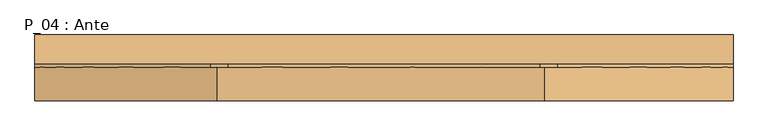
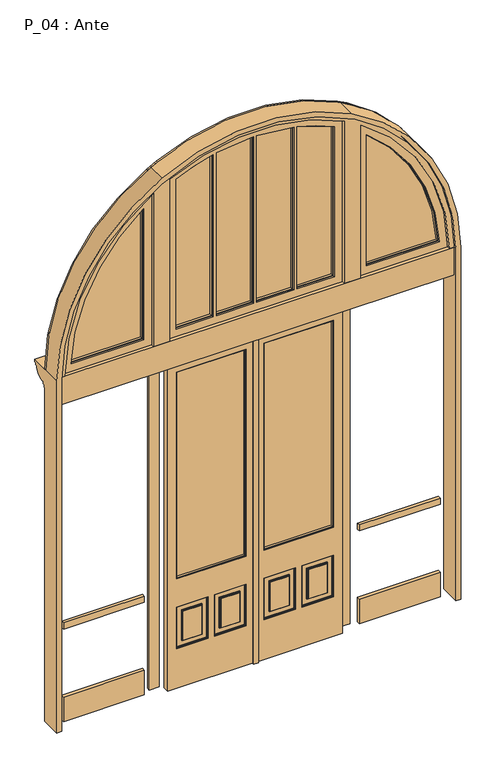
"""IFC4 building model written with IfcOpenShell, lengths in millimetres: door geometry, P_04 : Ante."""

from ifc_helpers import new_model, si_unit, point, frame, frame_2d, origin, origin_with_axes, place, context, project, spatial, polyline, circle_curve, trimmed, segment, composite_curve, outline, extrude, faceted_brep, source, transform, mapped, element, save
from ifc_brep_helpers import plane_surface, cylinder_surface, revolved_surface, advanced_brep


def p_04_ante_c65a6241(model_context):
    return source(origin(), model_context, "Body", "SolidModel", [
        faceted_brep([(15.0, -110.0, 2120.0), (-15.0, -110.0, 2120.0), (-15.0, -110.0, 0.0), (15.0, -110.0, 0.0), (-15.0, -100.0, 2120.0), (1.0, -100.0, 2120.0), (1.0, -100.0, 0.0), (-15.0, -100.0, 0.0), (15.0, -100.0, 2120.0), (540.0, -100.0, 2120.0), (540.0, -60.0, 2120.0), (1.0, -60.0, 2120.0), (1.0, -60.0, 0.0), (30.0, -60.0, 0.0), (30.0, -40.0, 0.0), (510.0, -40.0, 0.0), (510.0, -60.0, 0.0), (540.0, -60.0, 0.0), (540.0, -100.0, 0.0), (15.0, -100.0, 0.0), (56.0, -100.0, 2065.0), (485.0, -100.0, 2065.0), (485.0, -100.0, 715.0), (56.0, -100.0, 715.0), (290.0, -100.0, 530.0), (485.0, -100.0, 530.0), (485.0, -100.0, 260.0), (290.0, -100.0, 260.0), (251.0, -100.0, 260.0), (56.0, -100.0, 260.0), (56.0, -100.0, 530.0), (251.0, -100.0, 530.0), (330.0, -100.0, 490.0), (330.0, -100.0, 300.0), (445.0, -100.0, 300.0), (445.0, -100.0, 490.0), (96.0, -100.0, 490.0), (96.0, -100.0, 300.0), (211.0, -100.0, 300.0), (211.0, -100.0, 490.0), (56.0, -95.0, 715.0), (56.0, -95.0, 2065.0), (485.0, -95.0, 715.0), (485.0, -95.0, 2065.0), (290.0, -95.0, 260.0), (290.0, -95.0, 530.0), (485.0, -95.0, 260.0), (485.0, -95.0, 530.0), (251.0, -95.0, 530.0), (251.0, -95.0, 260.0), (56.0, -95.0, 530.0), (56.0, -95.0, 260.0), (445.0, -95.0, 490.0), (330.0, -95.0, 490.0), (445.0, -95.0, 300.0), (330.0, -95.0, 300.0), (211.0, -95.0, 490.0), (96.0, -95.0, 490.0), (211.0, -95.0, 300.0), (96.0, -95.0, 300.0), (295.0, -70.0, 525.0), (480.0, -70.0, 525.0), (480.0, -70.0, 265.0), (295.0, -70.0, 265.0), (325.0, -70.0, 495.0), (325.0, -70.0, 295.0), (450.0, -70.0, 295.0), (450.0, -70.0, 495.0), (61.0, -70.0, 525.0), (246.0, -70.0, 525.0), (246.0, -70.0, 265.0), (61.0, -70.0, 265.0), (91.0, -70.0, 495.0), (91.0, -70.0, 295.0), (216.0, -70.0, 295.0), (216.0, -70.0, 495.0), (295.0, -90.0, 265.0), (480.0, -90.0, 265.0), (480.0, -90.0, 525.0), (295.0, -90.0, 525.0), (450.0, -90.0, 495.0), (450.0, -90.0, 295.0), (325.0, -90.0, 295.0), (325.0, -90.0, 495.0), (61.0, -90.0, 265.0), (246.0, -90.0, 265.0), (246.0, -90.0, 525.0), (61.0, -90.0, 525.0), (216.0, -90.0, 495.0), (216.0, -90.0, 295.0), (91.0, -90.0, 295.0), (91.0, -90.0, 495.0), (61.0, -95.0, 720.0), (61.0, -65.0, 720.0), (61.0, -65.0, 2060.0), (61.0, -95.0, 2060.0), (480.0, -95.0, 720.0), (480.0, -65.0, 720.0), (480.0, -95.0, 2060.0), (480.0, -65.0, 2060.0), (510.0, -60.0, 160.0), (30.0, -60.0, 160.0), (56.0, -60.0, 2065.0), (56.0, -60.0, 715.0), (485.0, -60.0, 715.0), (485.0, -60.0, 2065.0), (290.0, -60.0, 530.0), (290.0, -60.0, 260.0), (485.0, -60.0, 260.0), (485.0, -60.0, 530.0), (251.0, -60.0, 260.0), (251.0, -60.0, 530.0), (56.0, -60.0, 530.0), (56.0, -60.0, 260.0), (30.0, -60.0, 605.0), (510.0, -60.0, 605.0), (510.0, -60.0, 645.0), (30.0, -60.0, 645.0), (330.0, -60.0, 490.0), (445.0, -60.0, 490.0), (445.0, -60.0, 300.0), (330.0, -60.0, 300.0), (96.0, -60.0, 490.0), (211.0, -60.0, 490.0), (211.0, -60.0, 300.0), (96.0, -60.0, 300.0), (56.0, -65.0, 2065.0), (56.0, -65.0, 715.0), (485.0, -65.0, 715.0), (485.0, -65.0, 2065.0), (290.0, -65.0, 530.0), (290.0, -65.0, 260.0), (485.0, -65.0, 260.0), (485.0, -65.0, 530.0), (251.0, -65.0, 260.0), (251.0, -65.0, 530.0), (56.0, -65.0, 530.0), (56.0, -65.0, 260.0), (330.0, -65.0, 490.0), (445.0, -65.0, 490.0), (445.0, -65.0, 300.0), (330.0, -65.0, 300.0), (96.0, -65.0, 490.0), (211.0, -65.0, 490.0), (211.0, -65.0, 300.0), (96.0, -65.0, 300.0), (295.0, -95.0, 525.0), (480.0, -95.0, 525.0), (480.0, -95.0, 265.0), (295.0, -95.0, 265.0), (61.0, -95.0, 525.0), (246.0, -95.0, 525.0), (246.0, -95.0, 265.0), (61.0, -95.0, 265.0), (325.0, -95.0, 495.0), (325.0, -95.0, 295.0), (450.0, -95.0, 295.0), (450.0, -95.0, 495.0), (91.0, -95.0, 495.0), (91.0, -95.0, 295.0), (216.0, -95.0, 295.0), (216.0, -95.0, 495.0), (295.0, -65.0, 525.0), (295.0, -65.0, 265.0), (480.0, -65.0, 265.0), (480.0, -65.0, 525.0), (61.0, -65.0, 525.0), (61.0, -65.0, 265.0), (246.0, -65.0, 265.0), (246.0, -65.0, 525.0), (325.0, -65.0, 495.0), (450.0, -65.0, 495.0), (450.0, -65.0, 295.0), (325.0, -65.0, 295.0), (91.0, -65.0, 495.0), (216.0, -65.0, 495.0), (216.0, -65.0, 295.0), (91.0, -65.0, 295.0), (30.0, -40.0, 645.0), (510.0, -40.0, 645.0), (510.0, -40.0, 605.0), (30.0, -40.0, 605.0), (30.0, -40.0, 160.0), (510.0, -40.0, 160.0)], [[[0, 1, 2, 3]], [[4, 5, 6, 7]], [[0, 8, 9, 10, 11, 5, 4, 1]], [[1, 4, 7, 2]], [[2, 7, 6, 12, 13, 14, 15, 16, 17, 18, 19, 3]], [[3, 19, 8, 0]], [[9, 8, 19, 18], [20, 21, 22, 23], [24, 25, 26, 27], [28, 29, 30, 31]], [[32, 33, 34, 35]], [[36, 37, 38, 39]], [[18, 17, 10, 9]], [[5, 11, 12, 6]], [[23, 40, 41, 20]], [[22, 42, 40, 23]], [[21, 43, 42, 22]], [[20, 41, 43, 21]], [[27, 44, 45, 24]], [[26, 46, 44, 27]], [[25, 47, 46, 26]], [[24, 45, 47, 25]], [[31, 48, 49, 28]], [[30, 50, 48, 31]], [[29, 51, 50, 30]], [[28, 49, 51, 29]], [[35, 52, 53, 32]], [[34, 54, 52, 35]], [[33, 55, 54, 34]], [[32, 53, 55, 33]], [[39, 56, 57, 36]], [[38, 58, 56, 39]], [[37, 59, 58, 38]], [[36, 57, 59, 37]], [[60, 61, 62, 63], [64, 65, 66, 67]], [[68, 69, 70, 71], [72, 73, 74, 75]], [[76, 77, 78, 79], [80, 81, 82, 83]], [[84, 85, 86, 87], [88, 89, 90, 91]], [[92, 93, 94, 95]], [[96, 97, 93, 92]], [[98, 99, 97, 96]], [[95, 94, 99, 98]], [[11, 10, 17, 16, 100, 101, 13, 12], [102, 103, 104, 105], [106, 107, 108, 109], [110, 111, 112, 113], [114, 115, 116, 117]], [[118, 119, 120, 121]], [[122, 123, 124, 125]], [[102, 126, 127, 103]], [[103, 127, 128, 104]], [[104, 128, 129, 105]], [[105, 129, 126, 102]], [[106, 130, 131, 107]], [[107, 131, 132, 108]], [[108, 132, 133, 109]], [[109, 133, 130, 106]], [[110, 134, 135, 111]], [[111, 135, 136, 112]], [[112, 136, 137, 113]], [[113, 137, 134, 110]], [[118, 138, 139, 119]], [[119, 139, 140, 120]], [[120, 140, 141, 121]], [[121, 141, 138, 118]], [[122, 142, 143, 123]], [[123, 143, 144, 124]], [[124, 144, 145, 125]], [[125, 145, 142, 122]], [[40, 42, 43, 41], [95, 98, 96, 92]], [[44, 46, 47, 45], [146, 147, 148, 149]], [[48, 50, 51, 49], [150, 151, 152, 153]], [[154, 155, 156, 157], [52, 54, 55, 53]], [[158, 159, 160, 161], [56, 58, 59, 57]], [[157, 80, 83, 154]], [[156, 81, 80, 157]], [[155, 82, 81, 156]], [[154, 83, 82, 155]], [[161, 88, 91, 158]], [[160, 89, 88, 161]], [[159, 90, 89, 160]], [[158, 91, 90, 159]], [[149, 76, 79, 146]], [[148, 77, 76, 149]], [[147, 78, 77, 148]], [[146, 79, 78, 147]], [[153, 84, 87, 150]], [[152, 85, 84, 153]], [[151, 86, 85, 152]], [[150, 87, 86, 151]], [[126, 129, 128, 127], [94, 93, 97, 99]], [[130, 133, 132, 131], [162, 163, 164, 165]], [[134, 137, 136, 135], [166, 167, 168, 169]], [[170, 171, 172, 173], [138, 141, 140, 139]], [[174, 175, 176, 177], [142, 145, 144, 143]], [[170, 64, 67, 171]], [[171, 67, 66, 172]], [[172, 66, 65, 173]], [[173, 65, 64, 170]], [[174, 72, 75, 175]], [[175, 75, 74, 176]], [[176, 74, 73, 177]], [[177, 73, 72, 174]], [[162, 60, 63, 163]], [[163, 63, 62, 164]], [[164, 62, 61, 165]], [[165, 61, 60, 162]], [[166, 68, 71, 167]], [[167, 71, 70, 168]], [[168, 70, 69, 169]], [[169, 69, 68, 166]], [[178, 179, 180, 181]], [[182, 183, 15, 14]], [[181, 114, 117, 178]], [[180, 115, 114, 181]], [[179, 116, 115, 180]], [[178, 117, 116, 179]], [[14, 13, 101, 182]], [[183, 100, 16, 15]], [[182, 101, 100, 183]]]),
        extrude(outline(polyline([(480.0, -76.0), (480.0, -84.0), (61.0, -84.0), (61.0, -76.0), (480.0, -76.0)])), frame((0.0, 0.0, 720.0), z_axis=(0.0, 0.0, 1.0), x_axis=(1.0, 0.0, 0.0)), (0.0, 0.0, 1.0), 1340.0),
        extrude(outline(polyline([(-61.0, -76.0), (-61.0, -84.0), (-480.0, -84.0), (-480.0, -76.0), (-61.0, -76.0)])), frame((0.0, 0.0, 720.0), z_axis=(0.0, 0.0, 1.0), x_axis=(1.0, 0.0, 0.0)), (0.0, 0.0, 1.0), 1340.0),
        faceted_brep([(-290.0, -60.0, 530.0), (-290.0, -65.0, 530.0), (-485.0, -65.0, 530.0), (-485.0, -60.0, 530.0), (-251.0, -60.0, 260.0), (-251.0, -65.0, 260.0), (-56.0, -65.0, 260.0), (-56.0, -60.0, 260.0), (-485.0, -60.0, 2065.0), (-485.0, -65.0, 2065.0), (-485.0, -65.0, 715.0), (-485.0, -60.0, 715.0), (-56.0, -60.0, 2065.0), (-56.0, -65.0, 2065.0), (-290.0, -60.0, 260.0), (-290.0, -65.0, 260.0), (-485.0, -60.0, 260.0), (-485.0, -65.0, 260.0), (15.0, -50.0, 2120.0), (15.0, -50.0, 0.0), (-15.0, -50.0, 0.0), (-15.0, -50.0, 2120.0), (15.0, -60.0, 2120.0), (-1.0, -60.0, 2120.0), (-1.0, -60.0, 0.0), (15.0, -60.0, 0.0), (-15.0, -60.0, 2120.0), (-540.0, -60.0, 2120.0), (-540.0, -100.0, 2120.0), (-1.0, -100.0, 2120.0), (-15.0, -60.0, 0.0), (-1.0, -100.0, 0.0), (-540.0, -100.0, 0.0), (-540.0, -60.0, 0.0), (-510.0, -60.0, 0.0), (-510.0, -40.0, 0.0), (-30.0, -40.0, 0.0), (-30.0, -60.0, 0.0), (-330.0, -60.0, 490.0), (-330.0, -60.0, 300.0), (-445.0, -60.0, 300.0), (-445.0, -60.0, 490.0), (-96.0, -60.0, 490.0), (-96.0, -60.0, 300.0), (-211.0, -60.0, 300.0), (-211.0, -60.0, 490.0), (-30.0, -60.0, 160.0), (-510.0, -60.0, 160.0), (-56.0, -60.0, 530.0), (-251.0, -60.0, 530.0), (-510.0, -60.0, 605.0), (-30.0, -60.0, 605.0), (-30.0, -60.0, 645.0), (-510.0, -60.0, 645.0), (-56.0, -60.0, 715.0), (-56.0, -65.0, 715.0), (-251.0, -65.0, 530.0), (-56.0, -65.0, 530.0), (-445.0, -65.0, 490.0), (-330.0, -65.0, 490.0), (-445.0, -65.0, 300.0), (-330.0, -65.0, 300.0), (-211.0, -65.0, 490.0), (-96.0, -65.0, 490.0), (-211.0, -65.0, 300.0), (-96.0, -65.0, 300.0), (-510.0, -40.0, 645.0), (-30.0, -40.0, 645.0), (-30.0, -40.0, 605.0), (-510.0, -40.0, 605.0), (-30.0, -40.0, 160.0), (-510.0, -40.0, 160.0), (-56.0, -100.0, 2065.0), (-56.0, -100.0, 715.0), (-485.0, -100.0, 715.0), (-485.0, -100.0, 2065.0), (-290.0, -100.0, 530.0), (-290.0, -100.0, 260.0), (-485.0, -100.0, 260.0), (-485.0, -100.0, 530.0), (-251.0, -100.0, 260.0), (-251.0, -100.0, 530.0), (-56.0, -100.0, 530.0), (-56.0, -100.0, 260.0), (-330.0, -100.0, 490.0), (-445.0, -100.0, 490.0), (-445.0, -100.0, 300.0), (-330.0, -100.0, 300.0), (-96.0, -100.0, 490.0), (-211.0, -100.0, 490.0), (-211.0, -100.0, 300.0), (-96.0, -100.0, 300.0), (-56.0, -95.0, 2065.0), (-56.0, -95.0, 715.0), (-485.0, -95.0, 715.0), (-485.0, -95.0, 2065.0), (-290.0, -95.0, 530.0), (-290.0, -95.0, 260.0), (-485.0, -95.0, 260.0), (-485.0, -95.0, 530.0), (-251.0, -95.0, 260.0), (-251.0, -95.0, 530.0), (-56.0, -95.0, 530.0), (-56.0, -95.0, 260.0), (-330.0, -95.0, 490.0), (-445.0, -95.0, 490.0), (-445.0, -95.0, 300.0), (-330.0, -95.0, 300.0), (-96.0, -95.0, 490.0), (-211.0, -95.0, 490.0), (-211.0, -95.0, 300.0), (-96.0, -95.0, 300.0), (-295.0, -70.0, 265.0), (-480.0, -70.0, 265.0), (-480.0, -70.0, 525.0), (-295.0, -70.0, 525.0), (-450.0, -70.0, 495.0), (-450.0, -70.0, 295.0), (-325.0, -70.0, 295.0), (-325.0, -70.0, 495.0), (-61.0, -70.0, 265.0), (-246.0, -70.0, 265.0), (-246.0, -70.0, 525.0), (-61.0, -70.0, 525.0), (-216.0, -70.0, 495.0), (-216.0, -70.0, 295.0), (-91.0, -70.0, 295.0), (-91.0, -70.0, 495.0), (-295.0, -90.0, 525.0), (-480.0, -90.0, 525.0), (-480.0, -90.0, 265.0), (-295.0, -90.0, 265.0), (-325.0, -90.0, 495.0), (-325.0, -90.0, 295.0), (-450.0, -90.0, 295.0), (-450.0, -90.0, 495.0), (-61.0, -90.0, 525.0), (-246.0, -90.0, 525.0), (-246.0, -90.0, 265.0), (-61.0, -90.0, 265.0), (-91.0, -90.0, 495.0), (-91.0, -90.0, 295.0), (-216.0, -90.0, 295.0), (-216.0, -90.0, 495.0), (-61.0, -95.0, 2060.0), (-61.0, -65.0, 2060.0), (-61.0, -65.0, 720.0), (-61.0, -95.0, 720.0), (-480.0, -65.0, 720.0), (-480.0, -95.0, 720.0), (-480.0, -65.0, 2060.0), (-480.0, -95.0, 2060.0), (-295.0, -95.0, 525.0), (-295.0, -95.0, 265.0), (-480.0, -95.0, 265.0), (-480.0, -95.0, 525.0), (-61.0, -95.0, 525.0), (-61.0, -95.0, 265.0), (-246.0, -95.0, 265.0), (-246.0, -95.0, 525.0), (-325.0, -95.0, 495.0), (-450.0, -95.0, 495.0), (-450.0, -95.0, 295.0), (-325.0, -95.0, 295.0), (-91.0, -95.0, 495.0), (-216.0, -95.0, 495.0), (-216.0, -95.0, 295.0), (-91.0, -95.0, 295.0), (-61.0, -65.0, 525.0), (-246.0, -65.0, 525.0), (-246.0, -65.0, 265.0), (-61.0, -65.0, 265.0), (-295.0, -65.0, 525.0), (-480.0, -65.0, 525.0), (-480.0, -65.0, 265.0), (-295.0, -65.0, 265.0), (-325.0, -65.0, 495.0), (-325.0, -65.0, 295.0), (-450.0, -65.0, 295.0), (-450.0, -65.0, 495.0), (-91.0, -65.0, 495.0), (-91.0, -65.0, 295.0), (-216.0, -65.0, 295.0), (-216.0, -65.0, 495.0)], [[[0, 1, 2, 3]], [[4, 5, 6, 7]], [[8, 9, 10, 11]], [[12, 13, 9, 8]], [[14, 15, 1, 0]], [[16, 17, 15, 14]], [[18, 19, 20, 21]], [[22, 23, 24, 25]], [[21, 26, 27, 28, 29, 23, 22, 18]], [[20, 30, 26, 21]], [[19, 25, 24, 31, 32, 33, 34, 35, 36, 37, 30, 20]], [[18, 22, 25, 19]], [[38, 39, 40, 41]], [[42, 43, 44, 45]], [[27, 26, 30, 37, 46, 47, 34, 33], [4, 7, 48, 49], [50, 51, 52, 53], [12, 8, 11, 54], [0, 3, 16, 14]], [[33, 32, 28, 27]], [[23, 29, 31, 24]], [[54, 55, 13, 12]], [[11, 10, 55, 54]], [[3, 2, 17, 16]], [[49, 56, 5, 4]], [[48, 57, 56, 49]], [[7, 6, 57, 48]], [[41, 58, 59, 38]], [[40, 60, 58, 41]], [[39, 61, 60, 40]], [[38, 59, 61, 39]], [[45, 62, 63, 42]], [[44, 64, 62, 45]], [[43, 65, 64, 44]], [[42, 63, 65, 43]], [[66, 67, 68, 69]], [[70, 36, 35, 71]], [[69, 50, 53, 66]], [[68, 51, 50, 69]], [[67, 52, 51, 68]], [[66, 53, 52, 67]], [[71, 47, 46, 70]], [[35, 34, 47, 71]], [[70, 46, 37, 36]], [[29, 28, 32, 31], [72, 73, 74, 75], [76, 77, 78, 79], [80, 81, 82, 83]], [[84, 85, 86, 87]], [[88, 89, 90, 91]], [[72, 92, 93, 73]], [[73, 93, 94, 74]], [[74, 94, 95, 75]], [[75, 95, 92, 72]], [[76, 96, 97, 77]], [[77, 97, 98, 78]], [[78, 98, 99, 79]], [[79, 99, 96, 76]], [[80, 100, 101, 81]], [[81, 101, 102, 82]], [[82, 102, 103, 83]], [[83, 103, 100, 80]], [[84, 104, 105, 85]], [[85, 105, 106, 86]], [[86, 106, 107, 87]], [[87, 107, 104, 84]], [[88, 108, 109, 89]], [[89, 109, 110, 90]], [[90, 110, 111, 91]], [[91, 111, 108, 88]], [[112, 113, 114, 115], [116, 117, 118, 119]], [[120, 121, 122, 123], [124, 125, 126, 127]], [[128, 129, 130, 131], [132, 133, 134, 135]], [[136, 137, 138, 139], [140, 141, 142, 143]], [[144, 145, 146, 147]], [[146, 148, 149, 147]], [[148, 150, 151, 149]], [[150, 145, 144, 151]], [[92, 95, 94, 93], [144, 147, 149, 151]], [[96, 99, 98, 97], [152, 153, 154, 155]], [[100, 103, 102, 101], [156, 157, 158, 159]], [[160, 161, 162, 163], [104, 107, 106, 105]], [[164, 165, 166, 167], [108, 111, 110, 109]], [[160, 132, 135, 161]], [[161, 135, 134, 162]], [[162, 134, 133, 163]], [[163, 133, 132, 160]], [[164, 140, 143, 165]], [[165, 143, 142, 166]], [[166, 142, 141, 167]], [[167, 141, 140, 164]], [[152, 128, 131, 153]], [[153, 131, 130, 154]], [[154, 130, 129, 155]], [[155, 129, 128, 152]], [[156, 136, 139, 157]], [[157, 139, 138, 158]], [[158, 138, 137, 159]], [[159, 137, 136, 156]], [[56, 57, 6, 5], [168, 169, 170, 171]], [[55, 10, 9, 13], [145, 150, 148, 146]], [[15, 17, 2, 1], [172, 173, 174, 175]], [[176, 177, 178, 179], [58, 60, 61, 59]], [[180, 181, 182, 183], [62, 64, 65, 63]], [[179, 116, 119, 176]], [[178, 117, 116, 179]], [[177, 118, 117, 178]], [[176, 119, 118, 177]], [[183, 124, 127, 180]], [[182, 125, 124, 183]], [[181, 126, 125, 182]], [[180, 127, 126, 181]], [[175, 112, 115, 172]], [[174, 113, 112, 175]], [[173, 114, 113, 174]], [[172, 115, 114, 173]], [[171, 120, 123, 168]], [[170, 121, 120, 171]], [[169, 122, 121, 170]], [[168, 123, 122, 169]]]),
        extrude(outline(polyline([(-665.0, -45.0), (-665.0, -65.0), (-1165.0, -65.0), (-1165.0, -45.0), (-665.0, -45.0)])), frame((0.0, 0.0, 605.0), z_axis=(0.0, 0.0, 1.0), x_axis=(1.0, 0.0, 0.0)), (0.0, 0.0, 1.0), 40.0),
        extrude(outline(polyline([(-665.0, -45.0), (-665.0, -65.0), (-1165.0, -65.0), (-1165.0, -45.0), (-665.0, -45.0)])), origin_with_axes(), (0.0, 0.0, 1.0), 160.0),
        extrude(outline(polyline([(1165.0, -45.0), (1165.0, -65.0), (665.0, -65.0), (665.0, -45.0), (1165.0, -45.0)])), frame((0.0, 0.0, 605.0), z_axis=(0.0, 0.0, 1.0), x_axis=(1.0, 0.0, 0.0)), (0.0, 0.0, 1.0), 40.0),
        extrude(outline(polyline([(1165.0, -45.0), (1165.0, -65.0), (665.0, -65.0), (665.0, -45.0), (1165.0, -45.0)])), origin_with_axes(), (0.0, 0.0, 1.0), 160.0),
        extrude(outline(composite_curve([segment(polyline([(2300.0, -620.0), (2300.0, -560.0), (3417.5419455, -560.0)]), True, "CONTINUOUS"), segment(trimmed(circle_curve(frame_2d((2300.0, 0.0)), 1250.0), [point((3417.5419455, -560.0))], [point((3385.4031509, -620.0))], False, "CARTESIAN"), True, "CONTINUOUS"), segment(polyline([(3385.4031509, -620.0), (2300.0, -620.0)]), True, "CONTINUOUS")], self_intersect=False)), frame((0.0, -20.0, 0.0), z_axis=(0.0, 1.0, 0.0), x_axis=(0.0, 0.0, 1.0)), (0.0, 0.0, 1.0), 10.0),
        extrude(outline(composite_curve([segment(polyline([(3417.5419468, 559.9999974), (2300.0, 559.9999974), (2300.0, 620.0), (3385.4031509, 620.0)]), True, "CONTINUOUS"), segment(trimmed(circle_curve(frame_2d((2300.0, 0.0)), 1250.0), [point((3385.4031509, 620.0))], [point((3417.5419468, 559.9999974))], False, "CARTESIAN"), True, "CONTINUOUS")], self_intersect=False)), frame((0.0, -20.0, 0.0), z_axis=(0.0, 1.0, 0.0), x_axis=(0.0, 0.0, 1.0)), (0.0, 0.0, 1.0), 10.0),
        extrude(outline(composite_curve([segment(trimmed(circle_curve(frame_2d((2300.0, 0.0)), 1135.0), [point((2355.0, 1133.6666177))], [point((3197.329371, 695.0))], False, "CARTESIAN"), True, "CONTINUOUS"), segment(polyline([(3197.329371, 695.0), (2355.0, 695.0), (2355.0, 1133.6666177)]), True, "CONTINUOUS")], self_intersect=False)), frame((0.0, -75.0, 0.0), z_axis=(0.0, 1.0, 0.0), x_axis=(0.0, 0.0, 1.0)), (0.0, 0.0, 1.0), 10.0),
        extrude(outline(composite_curve([segment(polyline([(2355.0, 265.0), (2355.0, 485.0), (3326.0554537, 485.0)]), True, "CONTINUOUS"), segment(trimmed(circle_curve(frame_2d((2300.0, 0.0)), 1134.9073945), [point((3326.0554537, 485.0))], [point((3403.5351349, 265.0))], False, "CARTESIAN"), True, "CONTINUOUS"), segment(polyline([(3403.5351349, 265.0), (2355.0, 265.0)]), True, "CONTINUOUS")], self_intersect=False)), frame((0.0, -75.0, 0.0), z_axis=(0.0, 1.0, 0.0), x_axis=(0.0, 0.0, 1.0)), (0.0, 0.0, 1.0), 10.0),
        extrude(outline(composite_curve([segment(polyline([(2355.0, 15.0), (2355.0, 235.0), (3410.4053314, 235.0)]), True, "CONTINUOUS"), segment(trimmed(circle_curve(frame_2d((2300.0, 0.0)), 1135.0), [point((3410.4053314, 235.0))], [point((3434.9008767, 15.0))], False, "CARTESIAN"), True, "CONTINUOUS"), segment(polyline([(3434.9008767, 15.0), (2355.0, 15.0)]), True, "CONTINUOUS")], self_intersect=False)), frame((0.0, -75.0, 0.0), z_axis=(0.0, 1.0, 0.0), x_axis=(0.0, 0.0, 1.0)), (0.0, 0.0, 1.0), 10.0),
        extrude(outline(composite_curve([segment(polyline([(2355.0, -15.0), (3434.9008767, -15.0)]), True, "CONTINUOUS"), segment(trimmed(circle_curve(frame_2d((2300.0, 0.0)), 1135.0), [point((3434.9008767, -15.0))], [point((3410.4053314, -235.0))], False, "CARTESIAN"), True, "CONTINUOUS"), segment(polyline([(3410.4053314, -235.0), (2355.0, -235.0), (2355.0, -15.0)]), True, "CONTINUOUS")], self_intersect=False)), frame((0.0, -75.0, 0.0), z_axis=(0.0, 1.0, 0.0), x_axis=(0.0, 0.0, 1.0)), (0.0, 0.0, 1.0), 10.0),
        extrude(outline(composite_curve([segment(polyline([(2355.0, -485.0), (2355.0, -265.0), (3403.5351349, -265.0)]), True, "CONTINUOUS"), segment(trimmed(circle_curve(frame_2d((2300.0, 0.0)), 1134.9073945), [point((3403.5351349, -265.0))], [point((3326.0554537, -485.0))], False, "CARTESIAN"), True, "CONTINUOUS"), segment(polyline([(3326.0554537, -485.0), (2355.0, -485.0)]), True, "CONTINUOUS")], self_intersect=False)), frame((0.0, -75.0, 0.0), z_axis=(0.0, 1.0, 0.0), x_axis=(0.0, 0.0, 1.0)), (0.0, 0.0, 1.0), 10.0),
        extrude(outline(composite_curve([segment(polyline([(2355.0, -695.0), (3197.329371, -695.0)]), True, "CONTINUOUS"), segment(trimmed(circle_curve(frame_2d((2300.0, 0.0)), 1135.0), [point((3197.329371, -695.0))], [point((2355.0, -1133.6666177))], False, "CARTESIAN"), True, "CONTINUOUS"), segment(polyline([(2355.0, -1133.6666177), (2355.0, -695.0)]), True, "CONTINUOUS")], self_intersect=False)), frame((0.0, -75.0, 0.0), z_axis=(0.0, 1.0, 0.0), x_axis=(0.0, 0.0, 1.0)), (0.0, 0.0, 1.0), 10.0),
        extrude(outline(composite_curve([segment(trimmed(circle_curve(frame_2d((2300.0, 0.0)), 1140.0), [point((2350.0, 1138.9029809))], [point((3207.4690077, 690.0))], False, "CARTESIAN"), True, "CONTINUOUS"), segment(polyline([(3207.4690077, 690.0), (2350.0, 690.0), (2350.0, 1138.9029809)]), True, "CONTINUOUS")], self_intersect=False), holes=[composite_curve([segment(trimmed(circle_curve(frame_2d((2300.0, 0.0)), 1135.0), [point((3197.329371, 695.0))], [point((2355.0, 1133.6666177))], True, "CARTESIAN"), True, "CONTINUOUS"), segment(polyline([(2355.0, 1133.6666177), (2355.0, 695.0), (3197.329371, 695.0)]), True, "CONTINUOUS")], self_intersect=False)]), frame((0.0, -90.0, 0.0), z_axis=(0.0, 1.0, 0.0), x_axis=(0.0, 0.0, 1.0)), (0.0, 0.0, 1.0), 40.0),
        extrude(outline(composite_curve([segment(trimmed(circle_curve(frame_2d((2300.0, 0.0)), 1140.0), [point((3329.320164, 490.0))], [point((3409.954954, 260.0))], False, "CARTESIAN"), True, "CONTINUOUS"), segment(polyline([(3409.954954, 260.0), (2350.0, 260.0), (2350.0, 490.0), (3329.320164, 490.0)]), True, "CONTINUOUS")], self_intersect=False), holes=[composite_curve([segment(polyline([(2355.0, 485.0), (2355.0, 265.0), (3403.5351349, 265.0)]), True, "CONTINUOUS"), segment(trimmed(circle_curve(frame_2d((2300.0, 0.0)), 1134.9073945), [point((3403.5351349, 265.0))], [point((3326.0554537, 485.0))], True, "CARTESIAN"), True, "CONTINUOUS"), segment(polyline([(3326.0554537, 485.0), (2355.0, 485.0)]), True, "CONTINUOUS")], self_intersect=False)]), frame((0.0, -90.0, 0.0), z_axis=(0.0, 1.0, 0.0), x_axis=(0.0, 0.0, 1.0)), (0.0, 0.0, 1.0), 40.0),
        extrude(outline(composite_curve([segment(trimmed(circle_curve(frame_2d((2300.0, 0.0)), 1140.0), [point((3414.4505373, 240.0))], [point((3439.9561395, 10.0))], False, "CARTESIAN"), True, "CONTINUOUS"), segment(polyline([(3439.9561395, 10.0), (2350.0, 10.0), (2350.0, 240.0), (3414.4505373, 240.0)]), True, "CONTINUOUS")], self_intersect=False), holes=[composite_curve([segment(polyline([(2355.0, 235.0), (2355.0, 15.0), (3434.9008767, 15.0)]), True, "CONTINUOUS"), segment(trimmed(circle_curve(frame_2d((2300.0, 0.0)), 1135.0), [point((3434.9008767, 15.0))], [point((3410.4053314, 235.0))], True, "CARTESIAN"), True, "CONTINUOUS"), segment(polyline([(3410.4053314, 235.0), (2355.0, 235.0)]), True, "CONTINUOUS")], self_intersect=False)]), frame((0.0, -90.0, 0.0), z_axis=(0.0, 1.0, 0.0), x_axis=(0.0, 0.0, 1.0)), (0.0, 0.0, 1.0), 40.0),
        extrude(outline(composite_curve([segment(polyline([(2350.0, -10.0), (3439.9561395, -10.0)]), True, "CONTINUOUS"), segment(trimmed(circle_curve(frame_2d((2300.0, 0.0)), 1140.0), [point((3439.9561395, -10.0))], [point((3414.4505373, -240.0))], False, "CARTESIAN"), True, "CONTINUOUS"), segment(polyline([(3414.4505373, -240.0), (2350.0, -240.0), (2350.0, -10.0)]), True, "CONTINUOUS")], self_intersect=False), holes=[composite_curve([segment(trimmed(circle_curve(frame_2d((2300.0, 0.0)), 1135.0), [point((3410.4053314, -235.0))], [point((3434.9008767, -15.0))], True, "CARTESIAN"), True, "CONTINUOUS"), segment(polyline([(3434.9008767, -15.0), (2355.0, -15.0), (2355.0, -235.0), (3410.4053314, -235.0)]), True, "CONTINUOUS")], self_intersect=False)]), frame((0.0, -90.0, 0.0), z_axis=(0.0, 1.0, 0.0), x_axis=(0.0, 0.0, 1.0)), (0.0, 0.0, 1.0), 40.0),
        extrude(outline(composite_curve([segment(polyline([(2350.0, -490.0), (2350.0, -260.0), (3409.954954, -260.0)]), True, "CONTINUOUS"), segment(trimmed(circle_curve(frame_2d((2300.0, 0.0)), 1140.0), [point((3409.954954, -260.0))], [point((3329.320164, -490.0))], False, "CARTESIAN"), True, "CONTINUOUS"), segment(polyline([(3329.320164, -490.0), (2350.0, -490.0)]), True, "CONTINUOUS")], self_intersect=False), holes=[composite_curve([segment(trimmed(circle_curve(frame_2d((2300.0, 0.0)), 1134.9073945), [point((3326.0554537, -485.0))], [point((3403.5351349, -265.0))], True, "CARTESIAN"), True, "CONTINUOUS"), segment(polyline([(3403.5351349, -265.0), (2355.0, -265.0), (2355.0, -485.0), (3326.0554537, -485.0)]), True, "CONTINUOUS")], self_intersect=False)]), frame((0.0, -90.0, 0.0), z_axis=(0.0, 1.0, 0.0), x_axis=(0.0, 0.0, 1.0)), (0.0, 0.0, 1.0), 40.0),
        extrude(outline(composite_curve([segment(polyline([(2350.0, -690.0), (3207.4690077, -690.0)]), True, "CONTINUOUS"), segment(trimmed(circle_curve(frame_2d((2300.0, 0.0)), 1140.0), [point((3207.4690077, -690.0))], [point((2350.0, -1138.9029809))], False, "CARTESIAN"), True, "CONTINUOUS"), segment(polyline([(2350.0, -1138.9029809), (2350.0, -690.0)]), True, "CONTINUOUS")], self_intersect=False), holes=[composite_curve([segment(polyline([(2355.0, -695.0), (2355.0, -1133.6666177)]), True, "CONTINUOUS"), segment(trimmed(circle_curve(frame_2d((2300.0, 0.0)), 1135.0), [point((2355.0, -1133.6666177))], [point((3197.329371, -695.0))], True, "CARTESIAN"), True, "CONTINUOUS"), segment(polyline([(3197.329371, -695.0), (2355.0, -695.0)]), True, "CONTINUOUS")], self_intersect=False)]), frame((0.0, -90.0, 0.0), z_axis=(0.0, 1.0, 0.0), x_axis=(0.0, 0.0, 1.0)), (0.0, 0.0, 1.0), 40.0),
        extrude(outline(composite_curve([segment(trimmed(circle_curve(frame_2d((2300.0, 0.0)), 1190.0), [point((2300.0, 1190.0))], [point((3303.2447358, 640.0))], False, "CARTESIAN"), True, "CONTINUOUS"), segment(polyline([(3303.2447358, 640.0), (2300.0, 640.0), (2300.0, 1190.0)]), True, "CONTINUOUS")], self_intersect=False), holes=[composite_curve([segment(trimmed(circle_curve(frame_2d((2300.0, 0.0)), 1140.0), [point((3207.4690077, 690.0))], [point((2350.0, 1138.9029809))], True, "CARTESIAN"), True, "CONTINUOUS"), segment(polyline([(2350.0, 1138.9029809), (2350.0, 690.0), (3207.4690077, 690.0)]), True, "CONTINUOUS")], self_intersect=False)]), frame((0.0, -100.0, 0.0), z_axis=(0.0, 1.0, 0.0), x_axis=(0.0, 0.0, 1.0)), (0.0, 0.0, 1.0), 60.0),
        extrude(outline(composite_curve([segment(polyline([(2300.0, 540.0), (3360.4244433, 540.0)]), True, "CONTINUOUS"), segment(trimmed(circle_curve(frame_2d((2300.0, 0.0)), 1190.0), [point((3360.4244433, 540.0))], [point((3360.4244433, -540.0))], False, "CARTESIAN"), True, "CONTINUOUS"), segment(polyline([(3360.4244433, -540.0), (2300.0, -540.0), (2300.0, 540.0)]), True, "CONTINUOUS")], self_intersect=False), holes=[composite_curve([segment(polyline([(3329.320164, 490.0), (2350.0, 490.0), (2350.0, 260.0), (3409.954954, 260.0)]), True, "CONTINUOUS"), segment(trimmed(circle_curve(frame_2d((2300.0, 0.0)), 1140.0), [point((3409.954954, 260.0))], [point((3329.320164, 490.0))], True, "CARTESIAN"), True, "CONTINUOUS")], self_intersect=False), composite_curve([segment(polyline([(2350.0, -490.0), (3329.320164, -490.0)]), True, "CONTINUOUS"), segment(trimmed(circle_curve(frame_2d((2300.0, 0.0)), 1140.0), [point((3329.320164, -490.0))], [point((3409.954954, -260.0))], True, "CARTESIAN"), True, "CONTINUOUS"), segment(polyline([(3409.954954, -260.0), (2350.0, -260.0), (2350.0, -490.0)]), True, "CONTINUOUS")], self_intersect=False), composite_curve([segment(polyline([(2350.0, 10.0), (3439.9561395, 10.0)]), True, "CONTINUOUS"), segment(trimmed(circle_curve(frame_2d((2300.0, 0.0)), 1140.0), [point((3439.9561395, 10.0))], [point((3414.4505373, 240.0))], True, "CARTESIAN"), True, "CONTINUOUS"), segment(polyline([(3414.4505373, 240.0), (2350.0, 240.0), (2350.0, 10.0)]), True, "CONTINUOUS")], self_intersect=False), composite_curve([segment(polyline([(2350.0, -10.0), (2350.0, -240.0), (3414.4505373, -240.0)]), True, "CONTINUOUS"), segment(trimmed(circle_curve(frame_2d((2300.0, 0.0)), 1140.0), [point((3414.4505373, -240.0))], [point((3439.9561395, -10.0))], True, "CARTESIAN"), True, "CONTINUOUS"), segment(polyline([(3439.9561395, -10.0), (2350.0, -10.0)]), True, "CONTINUOUS")], self_intersect=False)]), frame((0.0, -100.0, 0.0), z_axis=(0.0, 1.0, 0.0), x_axis=(0.0, 0.0, 1.0)), (0.0, 0.0, 1.0), 60.0),
        extrude(outline(composite_curve([segment(polyline([(2300.0, -640.0), (3303.2447358, -640.0)]), True, "CONTINUOUS"), segment(trimmed(circle_curve(frame_2d((2300.0, 0.0)), 1190.0), [point((3303.2447358, -640.0))], [point((2300.0, -1190.0))], False, "CARTESIAN"), True, "CONTINUOUS"), segment(polyline([(2300.0, -1190.0), (2300.0, -640.0)]), True, "CONTINUOUS")], self_intersect=False), holes=[composite_curve([segment(polyline([(3207.4690077, -690.0), (2350.0, -690.0), (2350.0, -1138.9029809)]), True, "CONTINUOUS"), segment(trimmed(circle_curve(frame_2d((2300.0, 0.0)), 1140.0), [point((2350.0, -1138.9029809))], [point((3207.4690077, -690.0))], True, "CARTESIAN"), True, "CONTINUOUS")], self_intersect=False)]), frame((0.0, -100.0, 0.0), z_axis=(0.0, 1.0, 0.0), x_axis=(0.0, 0.0, 1.0)), (0.0, 0.0, 1.0), 60.0),
        extrude(outline(composite_curve([segment(trimmed(circle_curve(frame_2d((2300.0, 0.0)), 1220.0), [point((3370.6578316, 584.8861492))], [point((3369.3386235, -587.2945669))], False, "CARTESIAN"), True, "CONTINUOUS"), segment(trimmed(circle_curve(frame_2d((2300.0, 0.0)), 1220.0), [point((3369.3386235, -587.2945669))], [point((2300.0, -1220.0))], False, "CARTESIAN"), True, "CONTINUOUS"), segment(polyline([(2300.0, -1220.0), (2300.0, -1190.0)]), True, "CONTINUOUS"), segment(trimmed(circle_curve(frame_2d((2300.0, 0.0)), 1190.0), [point((2300.0, -1190.0))], [point((3303.2447358, -640.0))], True, "CARTESIAN"), True, "CONTINUOUS"), segment(polyline([(3303.2447358, -640.0), (2300.0, -640.0), (2300.0, -540.0), (3360.4244433, -540.0)]), True, "CONTINUOUS"), segment(trimmed(circle_curve(frame_2d((2300.0, 0.0)), 1190.0), [point((3360.4244433, -540.0))], [point((3360.4244433, 540.0))], True, "CARTESIAN"), True, "CONTINUOUS"), segment(polyline([(3360.4244433, 540.0), (2300.0, 540.0), (2300.0, 640.0), (3303.2447358, 640.0)]), True, "CONTINUOUS"), segment(trimmed(circle_curve(frame_2d((2300.0, 0.0)), 1190.0), [point((3303.2447358, 640.0))], [point((2300.0, 1190.0))], True, "CARTESIAN"), True, "CONTINUOUS"), segment(polyline([(2300.0, 1190.0), (2300.0, 1220.0)]), True, "CONTINUOUS"), segment(trimmed(circle_curve(frame_2d((2300.0, 0.0)), 1220.0), [point((2300.0, 1220.0))], [point((3370.6578316, 584.8861492))], False, "CARTESIAN"), True, "CONTINUOUS")], self_intersect=False)), frame((0.0, -120.0, 0.0), z_axis=(0.0, 1.0, 0.0), x_axis=(0.0, 0.0, 1.0)), (0.0, 0.0, 1.0), 100.0),
        advanced_brep(
        [(1220.0, -10.0, 0.0), (1220.0, -10.0, 2180.0), (1250.0, -10.0, 2180.0), (1250.0, -10.0, 0.0), (-1220.0, -10.0, 2300.0), (-1250.0, -10.0, 2300.0), (-620.0, -10.0, 3385.4031509), (-620.0, -10.0, 3350.7140429), (1250.0, -10.0, 2300.0), (1220.0, -10.0, 2300.0), (620.0, -10.0, 3350.7140429), (620.0, -10.0, 3385.4031509), (-560.0, -10.0, 3417.5419455), (559.9999974, -10.0, 3417.5419468), (559.9999974, -10.0, 3383.8819137), (-560.0, -10.0, 3383.8819124), (-1250.0, -10.0, 0.0), (-1250.0, -10.0, 2180.0), (-1220.0, -10.0, 2180.0), (-1220.0, -10.0, 0.0), (-1220.0, -140.0, 0.0), (-1250.0, -140.0, 0.0), (-1220.0, -60.0, 2180.0), (-1220.0, -60.0, 2120.0), (-1220.0, -120.0, 2120.0), (-1220.0, -120.0, 2300.0), (-1220.0, -140.0, 2300.0), (1250.0, -5.0, 2180.0), (1220.0, -60.0, 2180.0), (-1250.0, -5.0, 2180.0), (1220.0, -140.0, 2300.0), (1220.0, -120.0, 2300.0), (1220.0, -120.0, 2120.0), (1220.0, -60.0, 2120.0), (1220.0, -140.0, 0.0), (1250.0, -140.0, 0.0), (1250.0, -20.0, 2300.0), (1250.0, -140.0, 2300.0), (1250.0, -5.0, 2195.0), (1250.0, 5.0, 2195.0), (1250.0, 5.0, 2210.0), (1250.0, 15.0, 2210.0), (1250.0, 75.0, 2270.0), (1250.0, 85.0, 2270.0), (1250.0, 85.0, 2285.0), (1250.0, 95.0, 2285.0), (1250.0, 95.0, 2300.0), (-1250.0, 5.0, 2195.0), (-1250.0, -5.0, 2195.0), (-1250.0, 95.0, 2300.0), (-1250.0, 95.0, 2285.0), (-1250.0, 85.0, 2285.0), (-1250.0, 85.0, 2270.0), (-1250.0, 75.0, 2270.0), (-1250.0, 15.0, 2210.0), (-1250.0, 5.0, 2210.0), (-1250.0, -140.0, 2300.0), (-1250.0, -20.0, 2300.0), (-620.0, -20.0, 3350.7140429), (-1220.0, -20.0, 2300.0), (-620.0, -20.0, 3385.4031509), (1220.0, -20.0, 2300.0), (620.0, -20.0, 3385.4031509), (620.0, -20.0, 3350.7140429), (575.7103184, -140.0, 3409.5303643), (-599.4350824, -140.0, 3396.8945173), (-602.4969533, -140.0, 3360.8475014), (596.8275039, -140.0, 3364.0474287), (-602.4969533, -20.0, 3360.8475014), (-599.4350824, -20.0, 3396.8945173), (575.7103184, -20.0, 3409.5303643), (596.8275039, -20.0, 3364.0474287), (-560.0, -20.0, 3383.8819124), (-560.0, -20.0, 3417.5419455), (559.9999974, -20.0, 3383.8819137), (559.9999974, -20.0, 3417.5419468)],
        [
            (0, 1),
            (1, 2),
            (2, 3),
            (3, 0),
            (4, 5),
            (5, 6, circle_curve(frame((0.0, -10.0, 2300.0), z_axis=(0.0, 1.0, 0.0), x_axis=(1.0, 0.0, 0.0)), 1250.0)),
            (6, 7),
            (7, 4, circle_curve(frame((0.0, -10.0, 2300.0), z_axis=(0.0, -1.0, 0.0), x_axis=(1.0, 0.0, 0.0)), 1220.0)),
            (8, 9),
            (9, 10, circle_curve(frame((0.0, -10.0, 2300.0), z_axis=(0.0, -1.0, 0.0), x_axis=(1.0, 0.0, 0.0)), 1220.0)),
            (10, 11),
            (11, 8, circle_curve(frame((0.0, -10.0, 2300.0), z_axis=(0.0, 1.0, 0.0), x_axis=(1.0, 0.0, 0.0)), 1250.0)),
            (12, 13, circle_curve(frame((0.0, -10.0, 2300.0), z_axis=(0.0, 1.0, 0.0), x_axis=(1.0, 0.0, 0.0)), 1250.0)),
            (13, 14),
            (14, 15, circle_curve(frame((0.0, -10.0, 2300.0), z_axis=(0.0, -1.0, 0.0), x_axis=(1.0, 0.0, 0.0)), 1220.0)),
            (15, 12),
            (16, 17),
            (17, 18),
            (18, 19),
            (19, 16),
            (19, 20),
            (20, 21),
            (21, 16),
            (18, 22),
            (22, 23),
            (23, 24),
            (24, 25),
            (25, 26),
            (26, 20),
            (27, 2),
            (1, 28),
            (28, 22),
            (17, 29),
            (29, 27),
            (30, 31),
            (31, 32),
            (32, 33),
            (33, 28),
            (0, 34),
            (34, 30),
            (3, 35),
            (35, 34),
            (36, 37),
            (37, 35),
            (27, 38),
            (38, 39),
            (39, 40),
            (40, 41),
            (41, 42, circle_curve(frame((1250.0, 15.0, 2270.0), z_axis=(1.0, 0.0, 0.0), x_axis=(0.0, 0.0, 1.0)), 60.0)),
            (42, 43),
            (43, 44),
            (44, 45),
            (45, 46),
            (46, 8),
            (8, 36),
            (47, 39),
            (38, 48),
            (48, 47),
            (5, 49),
            (49, 50),
            (50, 51),
            (51, 52),
            (52, 53),
            (53, 54, circle_curve(frame((-1250.0, 15.0, 2270.0), z_axis=(-1.0, 0.0, 0.0), x_axis=(0.0, 0.0, 1.0)), 60.0)),
            (54, 55),
            (55, 47),
            (48, 29),
            (21, 56),
            (56, 57),
            (57, 5),
            (7, 58),
            (58, 59, circle_curve(frame((0.0, -20.0, 2300.0), z_axis=(0.0, -1.0, 0.0), x_axis=(1.0, 0.0, 0.0)), 1220.0)),
            (59, 4),
            (57, 60, circle_curve(frame((0.0, -20.0, 2300.0), z_axis=(0.0, 1.0, 0.0), x_axis=(1.0, 0.0, 0.0)), 1250.0)),
            (60, 6),
            (59, 25),
            (25, 31),
            (31, 61),
            (61, 9),
            (46, 49),
            (11, 62),
            (62, 36, circle_curve(frame((0.0, -20.0, 2300.0), z_axis=(0.0, 1.0, 0.0), x_axis=(1.0, 0.0, 0.0)), 1250.0)),
            (61, 63, circle_curve(frame((0.0, -20.0, 2300.0), z_axis=(0.0, -1.0, 0.0), x_axis=(1.0, 0.0, 0.0)), 1220.0)),
            (63, 10),
            (37, 64, circle_curve(frame((0.0, -140.0, 2300.0), z_axis=(0.0, -1.0, 0.0), x_axis=(1.0, 0.0, 0.0)), 1250.0)),
            (64, 65, circle_curve(frame((0.0, -140.0, 2300.0), z_axis=(0.0, -1.0, 0.0), x_axis=(1.0, 0.0, 0.0)), 1250.0)),
            (65, 56, circle_curve(frame((0.0, -140.0, 2300.0), z_axis=(0.0, -1.0, 0.0), x_axis=(1.0, 0.0, 0.0)), 1250.0)),
            (26, 66, circle_curve(frame((0.0, -140.0, 2300.0), z_axis=(0.0, 1.0, 0.0), x_axis=(1.0, 0.0, 0.0)), 1220.0)),
            (66, 67, circle_curve(frame((0.0, -140.0, 2300.0), z_axis=(0.0, 1.0, 0.0), x_axis=(1.0, 0.0, 0.0)), 1220.0)),
            (67, 30, circle_curve(frame((0.0, -140.0, 2300.0), z_axis=(0.0, 1.0, 0.0), x_axis=(1.0, 0.0, 0.0)), 1220.0)),
            (58, 68, circle_curve(frame((0.0, -20.0, 2300.0), z_axis=(0.0, 1.0, 0.0), x_axis=(1.0, 0.0, 0.0)), 1220.0)),
            (68, 66),
            (24, 32),
            (23, 33),
            (65, 69),
            (69, 60, circle_curve(frame((0.0, -20.0, 2300.0), z_axis=(0.0, -1.0, 0.0), x_axis=(1.0, 0.0, 0.0)), 1250.0)),
            (55, 40),
            (54, 41),
            (53, 42),
            (52, 43),
            (51, 44),
            (50, 45),
            (62, 70, circle_curve(frame((0.0, -20.0, 2300.0), z_axis=(0.0, -1.0, 0.0), x_axis=(1.0, 0.0, 0.0)), 1250.0)),
            (70, 64),
            (67, 71),
            (71, 63, circle_curve(frame((0.0, -20.0, 2300.0), z_axis=(0.0, 1.0, 0.0), x_axis=(1.0, 0.0, 0.0)), 1220.0)),
            (60, 58),
            (63, 62),
            (15, 72),
            (72, 73),
            (73, 12),
            (14, 74),
            (74, 72, circle_curve(frame((0.0, -20.0, 2300.0), z_axis=(0.0, -1.0, 0.0), x_axis=(1.0, 0.0, 0.0)), 1220.0)),
            (13, 75),
            (75, 74),
            (73, 75, circle_curve(frame((0.0, -20.0, 2300.0), z_axis=(0.0, 1.0, 0.0), x_axis=(1.0, 0.0, 0.0)), 1250.0)),
            (69, 73, circle_curve(frame((0.0, -20.0, 2300.0), z_axis=(0.0, 1.0, 0.0), x_axis=(1.0, 0.0, 0.0)), 1250.0)),
            (72, 68, circle_curve(frame((0.0, -20.0, 2300.0), z_axis=(0.0, -1.0, 0.0), x_axis=(1.0, 0.0, 0.0)), 1220.0)),
            (71, 74, circle_curve(frame((0.0, -20.0, 2300.0), z_axis=(0.0, -1.0, 0.0), x_axis=(1.0, 0.0, 0.0)), 1220.0)),
            (75, 70, circle_curve(frame((0.0, -20.0, 2300.0), z_axis=(0.0, 1.0, 0.0), x_axis=(1.0, 0.0, 0.0)), 1250.0)),
        ],
        [
            plane_surface(frame((-1250.0, -10.0, 0.0), z_axis=(0.0, 1.0, 0.0), x_axis=(1.0, 0.0, 0.0))),
            plane_surface(frame((-1250.0, -10.0, 0.0), z_axis=(0.0, 0.0, -1.0), x_axis=(0.0, -1.0, 0.0))),
            plane_surface(frame((-1220.0, -10.0, 0.0), z_axis=(1.0, 0.0, 0.0), x_axis=(0.0, -1.0, 0.0))),
            plane_surface(frame((-1250.0, -60.0, 2180.0), z_axis=(0.0, 0.0, -1.0), x_axis=(1.0, 0.0, 0.0))),
            plane_surface(frame((1220.0, -10.0, 2300.0), z_axis=(-1.0, 0.0, 0.0), x_axis=(0.0, -1.0, 0.0))),
            plane_surface(frame((1220.0, -10.0, 0.0), z_axis=(0.0, 0.0, -1.0), x_axis=(0.0, -1.0, 0.0))),
            plane_surface(frame((1250.0, -10.0, 0.0), z_axis=(1.0, 0.0, 0.0), x_axis=(0.0, -1.0, 0.0))),
            plane_surface(frame((-1250.0, -5.0, 2195.0), z_axis=(0.0, 0.0, -1.0), x_axis=(1.0, 0.0, 0.0))),
            plane_surface(frame((-1250.0, -10.0, 2300.0), z_axis=(-1.0, 0.0, 0.0), x_axis=(0.0, -1.0, 0.0))),
            revolved_surface(polyline([(1220.0, -20.0, 2300.0), (1220.0, -10.0, 2300.0)]), (0.0, -20.0, 2300.0), (0.0, -1.0, 0.0)),
            cylinder_surface(frame((0.0, -20.0, 2300.0), z_axis=(0.0, 1.0, 0.0), x_axis=(1.0, 0.0, 0.0)), 1250.0),
            plane_surface(frame((-1250.0, 95.0, 2300.0), z_axis=(0.0, 0.0, 1.0), x_axis=(1.0, 0.0, 0.0))),
            cylinder_surface(frame((0.0, 220.0, 2300.0), z_axis=(0.0, 1.0, 0.0), x_axis=(1.0, 0.0, 0.0)), 1250.0),
            revolved_surface(polyline([(1220.0, -20.0, 2300.0), (1220.0, -10.0, 2300.0)]), (0.0, 220.0, 2300.0), (0.0, -1.0, 0.0)),
            plane_surface(frame((1250.0, -140.0, 2300.0), z_axis=(0.0, -1.0, 0.0), x_axis=(0.0, 0.0, -1.0))),
            revolved_surface(polyline([(1220.0, -140.0, 2300.0), (1220.0, -20.0, 2300.0)]), (0.0, -140.0, 2300.0), (0.0, -1.0, 0.0)),
            plane_surface(frame((-1250.0, -120.0, 2300.0), z_axis=(0.0, -1.0, 0.0), x_axis=(1.0, 0.0, 0.0))),
            plane_surface(frame((-1250.0, -120.0, 2120.0), z_axis=(0.0, 0.0, -1.0), x_axis=(1.0, 0.0, 0.0))),
            plane_surface(frame((-1250.0, -60.0, 2120.0), z_axis=(0.0, 1.0, 0.0), x_axis=(1.0, 0.0, 0.0))),
            cylinder_surface(frame((0.0, -140.0, 2300.0), z_axis=(0.0, 1.0, 0.0), x_axis=(1.0, 0.0, 0.0)), 1250.0),
            plane_surface(frame((-1250.0, 5.0, 2195.0), z_axis=(0.0, 1.0, 0.0), x_axis=(1.0, 0.0, 0.0))),
            plane_surface(frame((-1250.0, 5.0, 2210.0), z_axis=(0.0, 0.0, -1.0), x_axis=(1.0, 0.0, 0.0))),
            cylinder_surface(frame((1250.0, 15.0, 2270.0), z_axis=(-1.0, 0.0, 0.0), x_axis=(0.0, 0.0, 1.0)), 60.0),
            plane_surface(frame((-1250.0, 75.0, 2270.0), z_axis=(0.0, 0.0, -1.0), x_axis=(1.0, 0.0, 0.0))),
            plane_surface(frame((-1250.0, 85.0, 2270.0), z_axis=(0.0, 1.0, 0.0), x_axis=(1.0, 0.0, 0.0))),
            plane_surface(frame((-1250.0, 85.0, 2285.0), z_axis=(0.0, 0.0, -1.0), x_axis=(1.0, 0.0, 0.0))),
            plane_surface(frame((-1250.0, 95.0, 2285.0), z_axis=(0.0, 1.0, 0.0), x_axis=(1.0, 0.0, 0.0))),
            plane_surface(frame((-620.0, -10.0, 3350.7140429), z_axis=(1.0, 0.0, 0.0), x_axis=(0.0, -1.0, 0.0))),
            plane_surface(frame((620.0, -10.0, 3385.4031509), z_axis=(-1.0, 0.0, 0.0), x_axis=(0.0, -1.0, 0.0))),
            plane_surface(frame((-560.0, -10.0, 3417.5419455), z_axis=(-1.0, 0.0, 0.0), x_axis=(0.0, -1.0, 0.0))),
            plane_surface(frame((559.9999974, -10.0, 3383.8819137), z_axis=(1.0, 0.0, 0.0), x_axis=(0.0, -1.0, 0.0))),
            plane_surface(frame((1250.0, -20.0, 2300.0), z_axis=(0.0, 1.0, 0.0), x_axis=(0.0, 0.0, 1.0))),
            plane_surface(frame((-1250.0, -5.0, 2180.0), z_axis=(0.0, 1.0, 0.0), x_axis=(1.0, 0.0, 0.0))),
        ],
        [
            (0, [[1, 2, 3, 4]]),
            (0, [[5, 6, 7, 8]]),
            (0, [[9, 10, 11, 12]]),
            (0, [[13, 14, 15, 16]]),
            (0, [[17, 18, 19, 20]]),
            (1, [[21, 22, 23, -20]]),
            (2, [[-21, -19, 24, 25, 26, 27, 28, 29]]),
            (3, [[30, -2, 31, 32, -24, -18, 33, 34]]),
            (4, [[35, 36, 37, 38, -31, -1, 39, 40]]),
            (5, [[41, 42, -39, -4]]),
            (6, [[43, 44, -41, -3, -30, 45, 46, 47, 48, 49, 50, 51, 52, 53, 54, 55]]),
            (7, [[56, -46, 57, 58]]),
            (8, [[59, 60, 61, 62, 63, 64, 65, 66, -58, 67, -33, -17, -23, 68, 69, 70]]),
            (9, [[71, 72, 73, -8]]),
            (10, [[-70, 74, 75, -6]]),
            (11, [[-59, -5, -73, 76, 77, 78, 79, -9, -54, 80]]),
            (12, [[81, 82, -55, -12]]),
            (13, [[-79, 83, 84, -10]]),
            (14, [[85, 86, 87, -68, -22, -29, 88, 89, 90, -40, -42, -44]]),
            (15, [[-28, -76, -72, 91, 92, -88]]),
            (16, [[-27, 93, -36, -77]]),
            (17, [[-26, 94, -37, -93]]),
            (18, [[-25, -32, -38, -94]]),
            (19, [[95, 96, -74, -69, -87]]),
            (20, [[97, -47, -56, -66]]),
            (21, [[98, -48, -97, -65]]),
            (22, [[99, -49, -98, -64]]),
            (23, [[100, -50, -99, -63]]),
            (24, [[101, -51, -100, -62]]),
            (25, [[102, -52, -101, -61]]),
            (26, [[-80, -53, -102, -60]]),
            (19, [[-82, 103, 104, -85, -43]]),
            (15, [[105, 106, -83, -78, -35, -90]]),
            (27, [[-75, 107, -71, -7]]),
            (28, [[-84, 108, -81, -11]]),
            (29, [[109, 110, 111, -16]]),
            (13, [[112, 113, -109, -15]]),
            (30, [[114, 115, -112, -14]]),
            (12, [[-111, 116, -114, -13]]),
            (31, [[117, -110, 118, -91, -107, -96]]),
            (31, [[119, -115, 120, -103, -108, -106]]),
            (15, [[-92, -118, -113, -119, -105, -89]]),
            (19, [[-104, -120, -116, -117, -95, -86]]),
            (32, [[-57, -45, -34, -67]]),
        ],
    ),
        faceted_brep([(1220.0, -25.0, 2140.0), (620.0, -25.0, 2140.0), (620.0, -25.0, 2160.0), (1220.0, -25.0, 2160.0), (-1220.0, -25.0, 2160.0), (-620.0, -25.0, 2160.0), (-620.0, -25.0, 2140.0), (-1220.0, -25.0, 2140.0), (560.0, -25.0, 2160.0), (560.0, -25.0, 2140.0), (-560.0, -25.0, 2140.0), (-560.0, -25.0, 2160.0), (-1220.0, -40.0, 2140.0), (-620.0, -40.0, 2140.0), (-620.0, -40.0, 0.0), (-560.0, -40.0, 0.0), (-560.0, -40.0, 2140.0), (560.0, -40.0, 2140.0), (560.0, -40.0, 0.0), (620.0, -40.0, 0.0), (620.0, -40.0, 2140.0), (1220.0, -40.0, 2140.0), (1220.0, -40.0, 2160.0), (620.0, -40.0, 2160.0), (620.0, -40.0, 2180.0), (560.0, -40.0, 2180.0), (560.0, -40.0, 2160.0), (-560.0, -40.0, 2160.0), (-560.0, -40.0, 2180.0), (-620.0, -40.0, 2180.0), (-620.0, -40.0, 2160.0), (-1220.0, -40.0, 2160.0), (-560.0, -20.0, 2180.0), (-560.0, -20.0, 0.0), (-620.0, -20.0, 0.0), (-620.0, -20.0, 2180.0), (620.0, -20.0, 2180.0), (620.0, -20.0, 0.0), (560.0, -20.0, 0.0), (560.0, -20.0, 2180.0)], [[[0, 1, 2, 3]], [[4, 5, 6, 7]], [[8, 9, 10, 11]], [[12, 13, 14, 15, 16, 17, 18, 19, 20, 21, 22, 23, 24, 25, 26, 27, 28, 29, 30, 31]], [[3, 22, 21, 0]], [[3, 2, 23, 22]], [[31, 30, 5, 4]], [[11, 27, 26, 8]], [[7, 12, 31, 4]], [[7, 6, 13, 12]], [[21, 20, 1, 0]], [[9, 17, 16, 10]], [[32, 33, 34, 35]], [[36, 37, 38, 39]], [[28, 32, 35, 29]], [[34, 14, 13, 6, 5, 30, 29, 35]], [[14, 34, 33, 15]], [[32, 28, 27, 11, 10, 16, 15, 33]], [[24, 36, 39, 25]], [[38, 18, 17, 9, 8, 26, 25, 39]], [[18, 38, 37, 19]], [[36, 24, 23, 2, 1, 20, 19, 37]]]),
    ])


if __name__ == "__main__":
    model = new_model("IFC4")
    model_context = context("Model", 3, world=origin())
    ifc_project = project(units=[si_unit("LENGTHUNIT", "METRE", prefix="MILLI")], contexts=[model_context])
    site = spatial("IfcSite", under=ifc_project)
    building = spatial("IfcBuilding", under=site)
    placement = place(None, origin())
    p_04_ante_shape = p_04_ante_c65a6241(model_context)
    element("IfcDoor", 1, ObjectType="P_04 : Ante", at=placement, inside=building, context=model_context, shape_type="MappedRepresentation", body=[
        mapped(p_04_ante_shape, transform((0.0, 0.0, 0.0), x_axis=(1.0, 0.0, 0.0), y_axis=(0.0, 1.0, 0.0), z_axis=(0.0, 0.0, 1.0))),
    ])
    save(model, "model.ifc")
